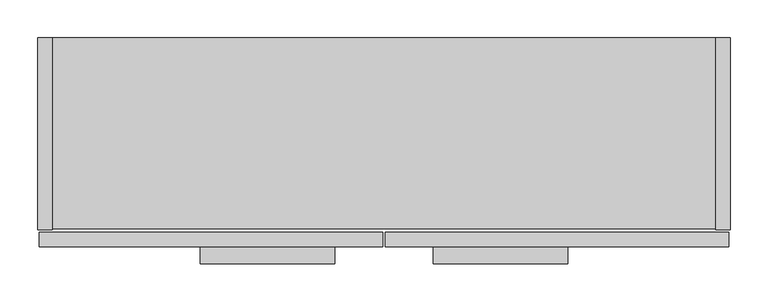
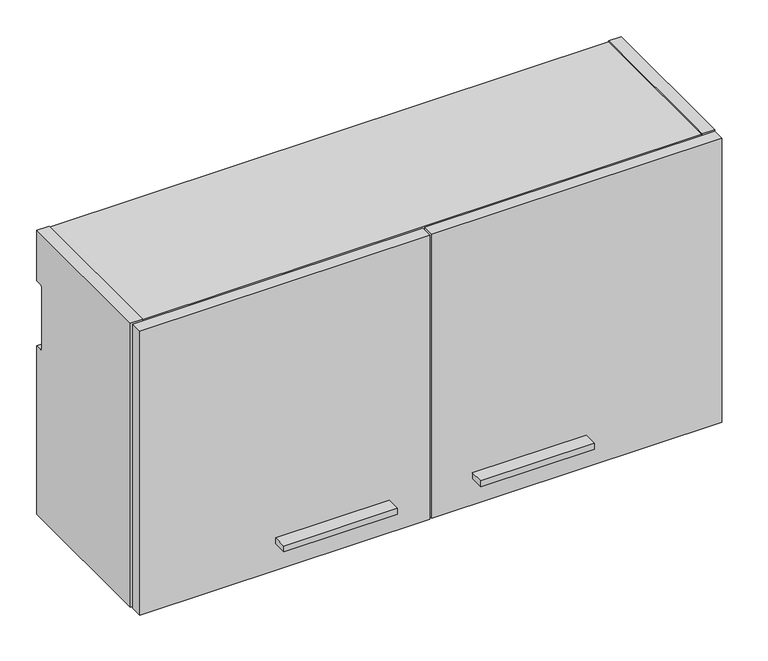
"""IFC4 building model written with IfcOpenShell, lengths in millimetres: furniture geometry."""

import ifcopenshell
import ifcopenshell.guid

model = None  # the IFC model being written
_history = None  # IfcOwnerHistory: only IFC2X3 demands one
_inside = {}  # id of a spatial element -> (the spatial element, [elements in it])
_under = {}  # id of a project, library or spatial element -> (it, [spatial elements below it])
_declared = {}  # id of a project -> (the project, [libraries it declares])
_typed = {}  # id of a type object -> (the type object, [elements of that type])
_made_of = {}  # id of a material, layer set ... -> (it, [elements and type objects made of it])


def new_model(schema):
    """Start an empty IFC model of exactly this schema.

    Asked for "IFC4X3", IfcOpenShell would pick the latest addendum, in which some entities
    have other attributes; the version numbers below select the first issue.
    IFC2X3 requires an IfcOwnerHistory on every rooted entity: one is made here for all.
    """
    global model, _history
    if schema == "IFC4X3":
        model = ifcopenshell.file(schema_version=(4, 3, 0, 0))
    else:
        model = ifcopenshell.file(schema=schema)
    _inside.clear()
    _under.clear()
    _declared.clear()
    _typed.clear()
    _made_of.clear()
    _history = None
    if model.schema == "IFC2X3":
        org = make("IfcOrganization", Name="unknown")
        user = make(
            "IfcPersonAndOrganization",
            ThePerson=make("IfcPerson", FamilyName="unknown"),
            TheOrganization=org,
        )
        app = make(
            "IfcApplication",
            ApplicationDeveloper=org,
            Version="unknown",
            ApplicationFullName="unknown",
            ApplicationIdentifier="unknown",
        )
        _history = make(
            "IfcOwnerHistory",
            OwningUser=user,
            OwningApplication=app,
            ChangeAction="ADDED",
            CreationDate=0,
        )
    return model


def make(cls, **values):
    """One entity of the class cls with the attributes given. An attribute that is None is left unset."""
    return model.create_entity(
        cls, **{name: value for name, value in values.items() if value is not None}
    )


def rooted(cls, **values):
    """An entity with a GlobalId (a new one), such as an element, a storey or a relation."""
    return make(cls, GlobalId=ifcopenshell.guid.new(), OwnerHistory=_history, **values)


def si_unit(unit_type, name, prefix=None):
    """IfcSIUnit, for example si_unit("LENGTHUNIT", "METRE", prefix="MILLI")."""
    return make("IfcSIUnit", UnitType=unit_type, Prefix=prefix, Name=name)


def assignment(units):
    """IfcUnitAssignment: the units of a project."""
    return None if units is None else make("IfcUnitAssignment", Units=units)


def point(xyz):
    """IfcCartesianPoint."""
    return None if xyz is None else make("IfcCartesianPoint", Coordinates=xyz)


def direction(xyz):
    """IfcDirection."""
    return None if xyz is None else make("IfcDirection", DirectionRatios=xyz)


def frame(location, z_axis=None, x_axis=None):
    """IfcAxis2Placement3D, a coordinate frame: its origin and axes. An axis left out is left unset."""
    return make(
        "IfcAxis2Placement3D",
        Location=point(location),
        Axis=direction(z_axis),
        RefDirection=direction(x_axis),
    )


def frame_2d(location, x_axis=None):
    """IfcAxis2Placement2D, a coordinate frame in the plane: its origin and x axis."""
    return make(
        "IfcAxis2Placement2D", Location=point(location), RefDirection=direction(x_axis)
    )


def origin():
    """The frame at (0, 0, 0) with its axes left unset."""
    return frame((0.0, 0.0, 0.0))


def place(relative_to, where):
    """IfcLocalPlacement: puts the frame where relative to a parent placement (None: the world)."""
    return make(
        "IfcLocalPlacement", PlacementRelTo=relative_to, RelativePlacement=where
    )


def context(
    kind, dimensions, precision=None, world=None, true_north=None, identifier=None
):
    """IfcGeometricRepresentationContext, for example the 3D "Model" context."""
    return make(
        "IfcGeometricRepresentationContext",
        ContextIdentifier=identifier,
        ContextType=kind,
        CoordinateSpaceDimension=dimensions,
        Precision=precision,
        WorldCoordinateSystem=world,
        TrueNorth=true_north,
    )


def project(units=None, contexts=None):
    """IfcProject with its units and contexts."""
    return rooted(
        "IfcProject",
        Name="project",
        RepresentationContexts=contexts,
        UnitsInContext=assignment(units),
    )


def spatial(cls, under=None, at=None, **own):
    """A site, building, storey or space (cls), placed at a placement, below another one or the project."""
    s = rooted(cls, ObjectPlacement=at, **own)
    if under is not None:
        _under.setdefault(under.id(), (under, []))[1].append(s)
    return s


def polyline(points):
    """IfcPolyline through the points."""
    return make("IfcPolyline", Points=[point(p) for p in points])


def circle_curve(where, radius):
    """IfcCircle in the frame where."""
    return make("IfcCircle", Position=where, Radius=radius)


def trimmed(basis, trim1, trim2, sense, master):
    """IfcTrimmedCurve: the piece of a basis curve between two trims."""
    return make(
        "IfcTrimmedCurve",
        BasisCurve=basis,
        Trim1=trim1,
        Trim2=trim2,
        SenseAgreement=sense,
        MasterRepresentation=master,
    )


def segment(curve, same_sense, transition):
    """IfcCompositeCurveSegment."""
    return make(
        "IfcCompositeCurveSegment",
        Transition=transition,
        SameSense=same_sense,
        ParentCurve=curve,
    )


def composite_curve(segments, self_intersect=None):
    """IfcCompositeCurve: segments joined end to end."""
    return make("IfcCompositeCurve", Segments=segments, SelfIntersect=self_intersect)


def outline(outer, holes=None, kind="AREA"):
    """IfcArbitraryClosedProfileDef: a profile drawn as a closed curve; with holes, ...WithVoids."""
    if holes is None:
        return make("IfcArbitraryClosedProfileDef", ProfileType=kind, OuterCurve=outer)
    return make(
        "IfcArbitraryProfileDefWithVoids",
        ProfileType=kind,
        OuterCurve=outer,
        InnerCurves=holes,
    )


def extrude(swept, where, along, depth):
    """IfcExtrudedAreaSolid: the profile swept, set in the frame where, extruded along a direction by depth."""
    return make(
        "IfcExtrudedAreaSolid",
        SweptArea=swept,
        Position=where,
        ExtrudedDirection=direction(along),
        Depth=depth,
    )


def shape(context_of_items, identifier, shape_type, items):
    """IfcShapeRepresentation: the items that make up one representation, for example the "Body"."""
    return make(
        "IfcShapeRepresentation",
        ContextOfItems=context_of_items,
        RepresentationIdentifier=identifier,
        RepresentationType=shape_type,
        Items=items,
    )


def source(mapping_origin, context_of_items, identifier, shape_type, items):
    """IfcRepresentationMap: a shape defined once, which mapped items show again and again."""
    return make(
        "IfcRepresentationMap",
        MappingOrigin=mapping_origin,
        MappedRepresentation=shape(context_of_items, identifier, shape_type, items),
    )


def transform(
    local_origin,
    x_axis=None,
    y_axis=None,
    z_axis=None,
    scale=None,
    scale2=None,
    scale3=None,
    uniform=True,
):
    """IfcCartesianTransformationOperator3D, or its non-uniform kind. x_axis, y_axis, z_axis: its Axis1, 2, 3."""
    if uniform:
        return make(
            "IfcCartesianTransformationOperator3D",
            Axis1=direction(x_axis),
            Axis2=direction(y_axis),
            LocalOrigin=point(local_origin),
            Scale=scale,
            Axis3=direction(z_axis),
        )
    return make(
        "IfcCartesianTransformationOperator3DnonUniform",
        Axis1=direction(x_axis),
        Axis2=direction(y_axis),
        LocalOrigin=point(local_origin),
        Scale=scale,
        Axis3=direction(z_axis),
        Scale2=scale2,
        Scale3=scale3,
    )


def mapped(mapping_source, mapping_target):
    """IfcMappedItem: shows the shape of a source again, moved by a transform."""
    return make(
        "IfcMappedItem", MappingSource=mapping_source, MappingTarget=mapping_target
    )


def made_of(thing, what):
    """Note that an element or type object is made of a material, layer set ...; save() writes the relation."""
    if what is not None:
        _made_of.setdefault(what.id(), (what, []))[1].append(thing)
    return thing


def element(
    cls,
    number,
    at=None,
    inside=None,
    cuts=None,
    type_object=None,
    material=None,
    context=None,
    identifier="Body",
    shape_type=None,
    held_by="IfcProductDefinitionShape",
    body=None,
    shapes=None,
    **own,
):
    """One element of the class cls, such as IfcWall. Its Tag is "e" and its number.

    at: its placement. inside: the storey or other place that contains it. cuts: it is an
    opening in that element (IfcRelVoidsElement). A single representation is given by context,
    identifier, shape_type and body (its items); several are given by shapes. held_by: the class
    of the entity that holds the representations. save() writes the other relations.
    """
    e = rooted(cls, Tag="e%d" % number, ObjectPlacement=at, **own)
    if body is not None:
        shapes = [shape(context, identifier, shape_type, body)]
    if shapes is not None:
        e.Representation = make(held_by, Representations=shapes)
    if inside is not None:
        _inside.setdefault(inside.id(), (inside, []))[1].append(e)
    if cuts is not None:
        rooted(
            "IfcRelVoidsElement", RelatingBuildingElement=cuts, RelatedOpeningElement=e
        )
    if type_object is not None:
        _typed.setdefault(type_object.id(), (type_object, []))[1].append(e)
    return made_of(e, material)


def aggregate(whole, parts):
    """IfcRelAggregates: a whole, such as a stair, and the parts it consists of."""
    return rooted("IfcRelAggregates", RelatingObject=whole, RelatedObjects=parts)


def save(model, path):
    """Write the relations noted so far, then the file.

    IfcRelAggregates (storeys below a building ...), IfcRelContainedInSpatialStructure (elements
    in a storey), IfcRelDefinesByType, IfcRelAssociatesMaterial and IfcRelDeclares: one each for
    every whole, place, type object, material and project.
    """
    for whole, parts in _under.values():
        aggregate(whole, parts)
    for where, things in _inside.values():
        rooted(
            "IfcRelContainedInSpatialStructure",
            RelatedElements=things,
            RelatingStructure=where,
        )
    for kind, things in _typed.values():
        rooted("IfcRelDefinesByType", RelatedObjects=things, RelatingType=kind)
    for what, things in _made_of.values():
        rooted("IfcRelAssociatesMaterial", RelatedObjects=things, RelatingMaterial=what)
    for by, libraries in _declared.values():
        rooted("IfcRelDeclares", RelatingContext=by, RelatedDefinitions=libraries)
    model.write(path)


def furniture_43fcb21b(model_context):
    return source(origin(), model_context, "Body", "SweptSolid", [
        extrude(outline(polyline([(700.0875, -298.45), (522.2875, -298.45), (522.2875, -276.225), (700.0875, -276.225), (700.0875, -298.45)])), frame((0.0, 0.0, 1923.4531), z_axis=(0.0, 0.0, 1.0), x_axis=(1.0, 0.0, 0.0)), (0.0, 0.0, 1.0), 9.525),
        extrude(outline(polyline([(392.1125, -298.45), (214.3125, -298.45), (214.3125, -276.225), (392.1125, -276.225), (392.1125, -298.45)])), frame((0.0, 0.0, 1923.4531), z_axis=(0.0, 0.0, 1.0), x_axis=(1.0, 0.0, 0.0)), (0.0, 0.0, 1.0), 9.525),
        extrude(outline(polyline([(912.8125, -276.225), (458.7875, -276.225), (458.7875, -256.921), (912.8125, -256.921), (912.8125, -276.225)])), frame((0.0, 0.0, 1879.6), z_axis=(0.0, 0.0, 1.0), x_axis=(1.0, 0.0, 0.0)), (0.0, 0.0, 1.0), 469.9),
        extrude(outline(polyline([(455.6125, -276.225), (1.5875, -276.225), (1.5875, -256.921), (455.6125, -256.921), (455.6125, -276.225)])), frame((0.0, 0.0, 1879.6), z_axis=(0.0, 0.0, 1.0), x_axis=(1.0, 0.0, 0.0)), (0.0, 0.0, 1.0), 469.9),
        extrude(outline(composite_curve([segment(polyline([(-253.746, 1879.6), (-253.746, 2349.5), (0.0, 2349.5), (0.0, 2266.442), (-9.5254487, 2266.442)]), True, "CONTINUOUS"), segment(trimmed(circle_curve(frame_2d((-9.5254487, 2263.2674487)), 3.1745513), [point((-9.5254487, 2266.442))], [point((-12.7, 2263.2674487))], True, "CARTESIAN"), True, "CONTINUOUS"), segment(polyline([(-12.7, 2263.2674487), (-12.7, 2161.667)]), True, "CONTINUOUS"), segment(trimmed(circle_curve(frame_2d((-9.525, 2161.667)), 3.175), [point((-12.7, 2161.667))], [point((-9.525, 2158.492))], True, "CARTESIAN"), True, "CONTINUOUS"), segment(polyline([(-9.525, 2158.492), (0.0, 2158.492), (0.0, 1879.6), (-253.746, 1879.6)]), True, "CONTINUOUS")], self_intersect=False)), frame((895.096, 0.0, 0.0), z_axis=(1.0, 0.0, 0.0), x_axis=(0.0, 1.0, 0.0)), (0.0, 0.0, 1.0), 19.304),
        extrude(outline(polyline([(895.096, -252.222), (19.304, -252.222), (19.304, -12.7), (895.096, -12.7), (895.096, -252.222)])), frame((0.0, 0.0, 1881.124), z_axis=(0.0, 0.0, 1.0), x_axis=(1.0, 0.0, 0.0)), (0.0, 0.0, 1.0), 19.304),
        extrude(outline(polyline([(895.096, -12.7), (895.096, -32.004), (19.304, -32.004), (19.304, -12.7), (895.096, -12.7)])), frame((0.0, 0.0, 1900.428), z_axis=(0.0, 0.0, 1.0), x_axis=(1.0, 0.0, 0.0)), (0.0, 0.0, 1.0), 429.768),
        extrude(outline(composite_curve([segment(polyline([(-253.746, 1879.6), (-253.746, 2349.5), (0.0, 2349.5), (0.0, 2266.442), (-9.5254487, 2266.442)]), True, "CONTINUOUS"), segment(trimmed(circle_curve(frame_2d((-9.5254487, 2263.2674487)), 3.1745513), [point((-9.5254487, 2266.442))], [point((-12.7, 2263.2674487))], True, "CARTESIAN"), True, "CONTINUOUS"), segment(polyline([(-12.7, 2263.2674487), (-12.7, 2161.667)]), True, "CONTINUOUS"), segment(trimmed(circle_curve(frame_2d((-9.525, 2161.667)), 3.175), [point((-12.7, 2161.667))], [point((-9.525, 2158.492))], True, "CARTESIAN"), True, "CONTINUOUS"), segment(polyline([(-9.525, 2158.492), (0.0, 2158.492), (0.0, 1879.6), (-253.746, 1879.6)]), True, "CONTINUOUS")], self_intersect=False)), frame((0.0, 0.0, 0.0), z_axis=(1.0, 0.0, 0.0), x_axis=(0.0, 1.0, 0.0)), (0.0, 0.0, 1.0), 19.304),
        extrude(outline(polyline([(895.096, -252.222), (19.304, -252.222), (19.304, 0.0), (895.096, 0.0), (895.096, -252.222)])), frame((0.0, 0.0, 2330.196), z_axis=(0.0, 0.0, 1.0), x_axis=(1.0, 0.0, 0.0)), (0.0, 0.0, 1.0), 17.78),
    ])


if __name__ == "__main__":
    model = new_model("IFC4")
    model_context = context("Model", 3, world=origin())
    ifc_project = project(units=[si_unit("LENGTHUNIT", "METRE", prefix="MILLI")], contexts=[model_context])
    site = spatial("IfcSite", under=ifc_project)
    building = spatial("IfcBuilding", under=site)
    placement = place(None, origin())
    furniture_shape = furniture_43fcb21b(model_context)
    element("IfcFurniture", 1, at=placement, inside=building, context=model_context, shape_type="MappedRepresentation", body=[
        mapped(furniture_shape, transform((0.0, 0.0, 0.0), x_axis=(1.0, 0.0, 0.0), y_axis=(0.0, 1.0, 0.0), z_axis=(0.0, 0.0, 1.0))),
    ])
    save(model, "model.ifc")
